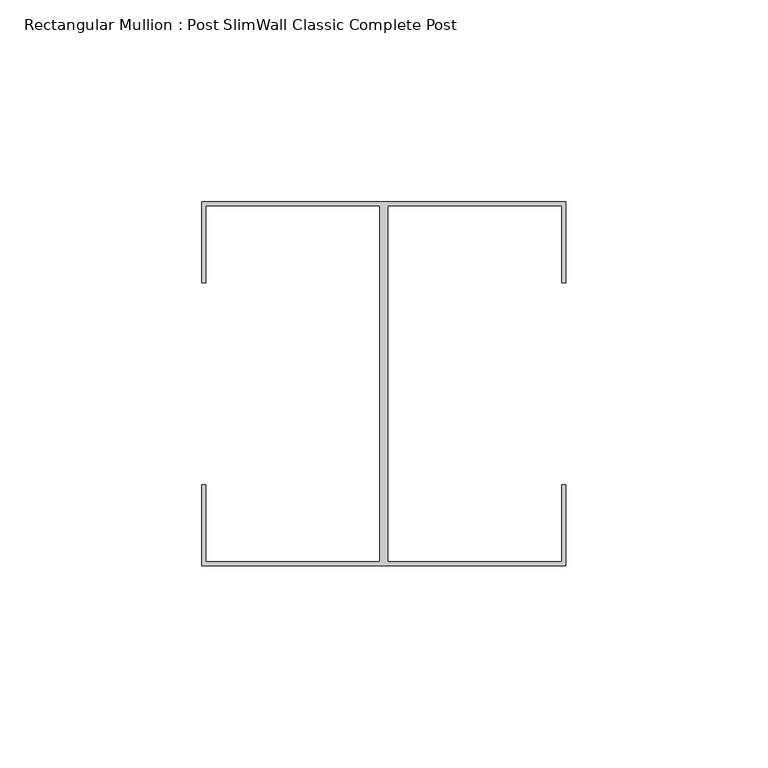
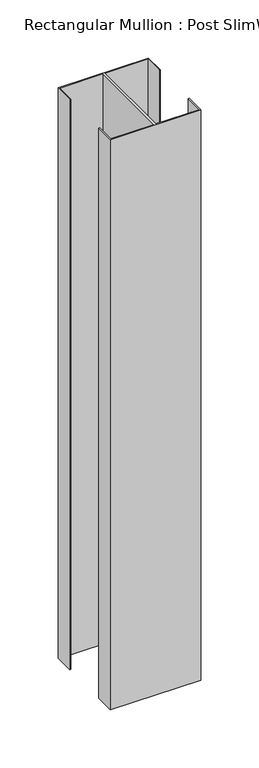
"""IFC4 building model written with IfcOpenShell, lengths in millimetres: member geometry, Rectangular Mullion : Post SlimWall Classic Complete Post."""

from ifc_helpers import new_model, si_unit, frame, origin, place, context, project, spatial, polyline, outline, extrude, source, transform, mapped, element, save


def rectangular_mullion_post_slimwall_classic_complete_post_5b48093a(model_context):
    return source(origin(), model_context, "Body", "SweptSolid", [
        extrude(outline(polyline([(-89.05, 44.05), (-89.05, 25.0), (-90.0, 25.0), (-90.0, 45.0), (0.0, 45.0), (0.0, 25.0), (-0.95, 25.0), (-0.95, 44.05), (-44.0, 44.05), (-44.0, -44.05), (-0.95, -44.05), (-0.95, -25.0), (0.0, -25.0), (0.0, -45.0), (-90.0, -45.0), (-90.0, -25.0), (-89.05, -25.0), (-89.05, -44.05), (-46.0, -44.05), (-46.0, 44.05), (-89.05, 44.05)])), frame((0.0, 0.0, -600.0), z_axis=(0.0, 0.0, 1.0), x_axis=(1.0, 0.0, 0.0)), (0.0, 0.0, 1.0), 600.0),
    ])


if __name__ == "__main__":
    model = new_model("IFC4")
    model_context = context("Model", 3, world=origin())
    ifc_project = project(units=[si_unit("LENGTHUNIT", "METRE", prefix="MILLI")], contexts=[model_context])
    site = spatial("IfcSite", under=ifc_project)
    building = spatial("IfcBuilding", under=site)
    placement = place(None, origin())
    rectangular_mullion_post_slimwall_classic_complete_post_shape = rectangular_mullion_post_slimwall_classic_complete_post_5b48093a(model_context)
    element("IfcMember", 1, ObjectType="Rectangular Mullion : Post SlimWall Classic Complete Post", at=placement, inside=building, context=model_context, shape_type="MappedRepresentation", body=[
        mapped(rectangular_mullion_post_slimwall_classic_complete_post_shape, transform((0.0, 0.0, 0.0), x_axis=(1.0, 0.0, 0.0), y_axis=(0.0, 1.0, 0.0), z_axis=(0.0, 0.0, 1.0))),
    ])
    save(model, "model.ifc")
